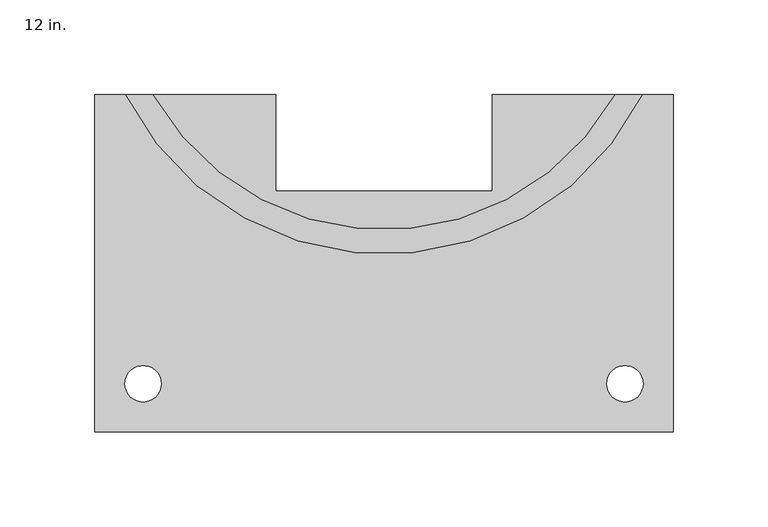
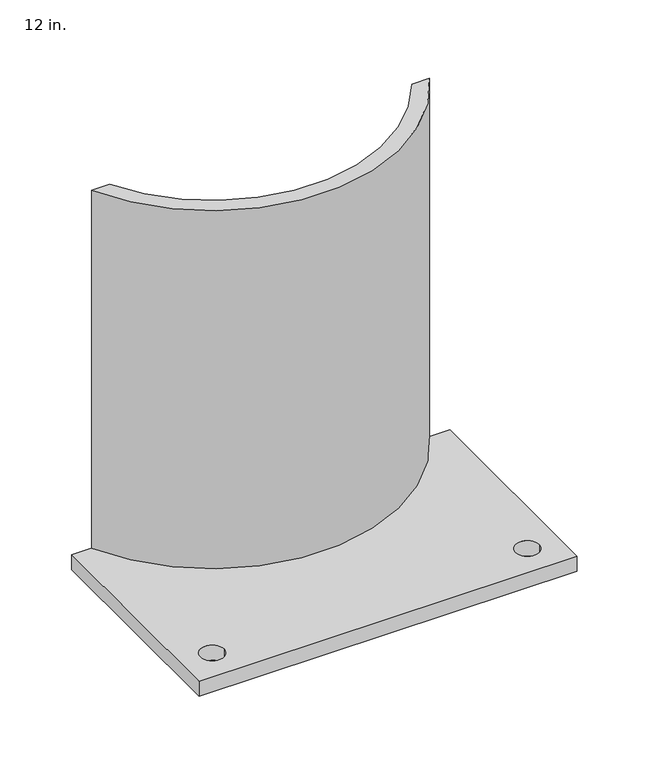
"""IFC4 building model written with IfcOpenShell, lengths in millimetres: proxy geometry, 12 in.."""

from ifc_helpers import new_model, si_unit, point, frame, frame_2d, origin, origin_with_axes, place, context, project, spatial, polyline, circle_curve, trimmed, segment, composite_curve, outline, extrude, source, transform, mapped, element, save


def proxy_12_in_88c514a5(model_context):
    return source(origin(), model_context, "Body", "SweptSolid", [
        extrude(outline(composite_curve([segment(polyline([(-136.1818942, 88.9), (-121.8024561, 88.9)]), True, "CONTINUOUS"), segment(trimmed(circle_curve(frame_2d((0.0, 157.312365)), 139.7), [point((-121.8024561, 88.9))], [point((121.8024561, 88.9))], True, "CARTESIAN"), True, "CONTINUOUS"), segment(polyline([(121.8024561, 88.9), (136.1818942, 88.9)]), True, "CONTINUOUS"), segment(trimmed(circle_curve(frame_2d((0.0, 157.312365)), 152.4), [point((136.1818942, 88.9))], [point((-136.1818942, 88.9))], False, "CARTESIAN"), True, "CONTINUOUS")], self_intersect=False)), frame((0.0, 0.0, 12.7), z_axis=(0.0, 0.0, 1.0), x_axis=(1.0, 0.0, 0.0)), (0.0, 0.0, 1.0), 304.8),
        extrude(outline(polyline([(152.4, -88.9), (-152.4, -88.9), (-152.4, 88.9), (-57.15, 88.9), (-57.15, 38.1), (57.15, 38.1), (57.15, 88.9), (152.4, 88.9), (152.4, -88.9)]), holes=[composite_curve([segment(trimmed(circle_curve(frame_2d((-127.0, -63.5)), 9.525), [point((-136.525, -63.5))], [point((-117.475, -63.5))], True, "CARTESIAN"), True, "CONTINUOUS"), segment(trimmed(circle_curve(frame_2d((-127.0, -63.5)), 9.525), [point((-117.475, -63.5))], [point((-136.525, -63.5))], True, "CARTESIAN"), True, "CONTINUOUS")], self_intersect=False), composite_curve([segment(trimmed(circle_curve(frame_2d((127.0, -63.5)), 9.525), [point((117.475, -63.5))], [point((136.525, -63.5))], True, "CARTESIAN"), True, "CONTINUOUS"), segment(trimmed(circle_curve(frame_2d((127.0, -63.5)), 9.525), [point((136.525, -63.5))], [point((117.475, -63.5))], True, "CARTESIAN"), True, "CONTINUOUS")], self_intersect=False)]), origin_with_axes(), (0.0, 0.0, 1.0), 12.7),
    ])


if __name__ == "__main__":
    model = new_model("IFC4")
    model_context = context("Model", 3, world=origin())
    ifc_project = project(units=[si_unit("LENGTHUNIT", "METRE", prefix="MILLI")], contexts=[model_context])
    site = spatial("IfcSite", under=ifc_project)
    building = spatial("IfcBuilding", under=site)
    placement = place(None, origin())
    proxy_12_in_shape = proxy_12_in_88c514a5(model_context)
    element("IfcBuildingElementProxy", 1, Name="12 in.", ObjectType="12 in.", at=placement, inside=building, context=model_context, shape_type="MappedRepresentation", body=[
        mapped(proxy_12_in_shape, transform((0.0, 0.0, 0.0), x_axis=(1.0, 0.0, 0.0), y_axis=(0.0, 1.0, 0.0), z_axis=(0.0, 0.0, 1.0))),
    ])
    save(model, "model.ifc")
